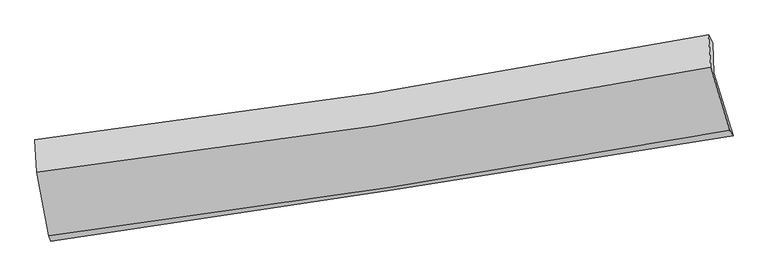
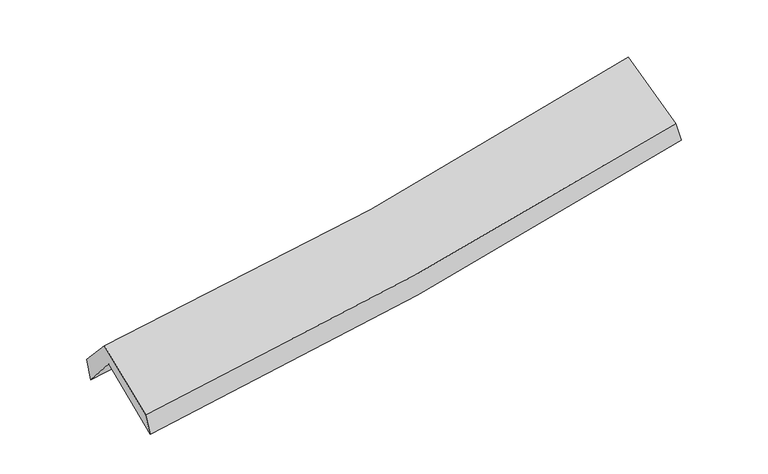
"""IFC4 building model written with IfcOpenShell, lengths in millimetres: proxy geometry."""

from ifc_helpers import new_model, si_unit, frame, origin, place, context, project, spatial, source, transform, mapped, element, save
from ifc_brep_helpers import plane_surface, spline_curve, spline_surface, advanced_brep


def generic_models_2d072b7d(model_context):
    return source(origin(), model_context, "Body", "AdvancedBrep", [
        advanced_brep(
        [(-2671.2374941, -2513.656537, 1475.6019184), (-2767.1016962, -2004.1790308, 1906.6550634), (2689.329918, -1152.8096595, 2403.8666241), (2844.957794, -1663.6666442, 1976.7860005), (-2781.476186, -1736.3600603, 1590.0537387), (2681.052394, -912.514693, 2078.7292513), (-2799.0945506, -1697.1233103, 1777.6110053), (2647.0331195, -847.7469737, 2248.6388757), (-2783.3474547, -1959.7094487, 2063.0906809), (2664.6120459, -1110.0097681, 2534.2722103), (-2688.7496789, -2469.9352631, 1652.6266473), (2817.8535872, -1618.6212379, 2122.8604157)],
        [
            (0, 1),
            (1, 2, spline_curve(3, [(-2767.1016962, -2004.1790308, 1906.6550634), (-1848.396377975, -1887.54588394, 1945.377661633), (-933.715585831, -1758.165729104, 2006.261478332), (885.072671769, -1474.305368862, 2172.12135355), (1789.202417635, -1319.895733479, 2276.974723906), (2689.329918, -1152.8096595, 2403.8666241)], [4, 2, 4], [0.0, 9.160926458179366, 18.296459481157704])),
            (2, 3),
            (3, 0, spline_curve(3, [(2844.957794, -1663.6666442, 1976.7860005), (1933.035404818, -1813.048182773, 1842.171411875), (1018.033538071, -1958.478626691, 1733.121213113), (-820.681081291, -2241.830586873, 1565.917535522), (-1744.41097701, -2379.730107113, 1507.906373694), (-2671.2374941, -2513.656537, 1475.6019184)], [4, 2, 4], [0.0, 9.135533022978338, 18.296459481157704])),
            (1, 4),
            (4, 5, spline_curve(3, [(-2781.476186, -1736.3600603, 1590.0537387), (-1864.191100072, -1609.978104288, 1623.582168851), (-949.709946883, -1478.030347923, 1681.159192518), (871.117390207, -1203.384412455, 1844.184167488), (1777.479096909, -1060.717046149, 1949.498981011), (2681.052394, -912.514693, 2078.7292513)], [4, 2, 4], [0.0, 9.113217128676778, 18.20117306901345])),
            (5, 2),
            (4, 6),
            (6, 7, spline_curve(3, [(-2799.0945506, -1697.1233103, 1777.6110053), (-1882.002119239, -1586.762410867, 1817.52844986), (-968.987698286, -1460.680574422, 1876.820825486), (846.365614941, -1177.468095158, 2033.937378348), (1748.727084394, -1020.424486015, 2131.654293098), (2647.0331195, -847.7469737, 2248.6388757)], [4, 2, 4], [0.0, 9.102547897474254, 18.17986418095685])),
            (7, 5),
            (6, 8),
            (8, 9, spline_curve(3, [(-2783.3474547, -1959.7094487, 2063.0906809), (-1865.929543598, -1849.309472242, 2103.035027001), (-952.599532214, -1723.181104543, 2162.353675085), (863.364336687, -1439.860802484, 2319.521444466), (1766.020825606, -1282.755943564, 2417.263306151), (2664.6120459, -1110.0097681, 2534.2722103)], [4, 2, 4], [0.0, 9.093038869925936, 18.160872484206823])),
            (9, 7),
            (8, 10),
            (10, 11, spline_curve(3, [(-2688.7496789, -2469.9352631, 1652.6266473), (-1762.957758201, -2351.89493949, 1698.336082268), (-840.545998169, -2221.816797487, 1760.454074585), (994.969710679, -1937.978812026, 1917.289504815), (1908.092372594, -1784.285612567, 2011.916101726), (2817.8535872, -1618.6212379, 2122.8604157)], [4, 2, 4], [0.0, 9.141405729108262, 18.25747213308515])),
            (11, 9),
            (10, 0),
            (3, 11),
        ],
        [
            spline_surface(3, 3, [[(-2671.2374941, -2513.656537, 1475.6019184), (-1744.410977038, -2379.730106978, 1507.90637361), (-820.681081248, -2241.830586774, 1565.917535572), (1018.033538028, -1958.47862679, 1733.121213063), (1933.035404919, -1813.048182725, 1842.171411815), (2844.957794, -1663.6666442, 1976.7860005)], [(-2703.192228146, -2343.830701595, 1619.286300059), (-1779.072777332, -2215.668699329, 1653.730136277), (-858.359249435, -2080.608967527, 1712.698849802), (973.713249286, -1797.087540841, 1879.454593215), (1885.091075862, -1648.664032981, 1987.105849139), (2793.081835331, -1493.380982621, 2119.146208366)], [(-2735.146962154, -2174.004866205, 1762.970681741), (-1813.734577589, -2051.607291695, 1799.553898966), (-896.037417649, -1919.387348276, 1859.480164082), (929.392960516, -1635.696454886, 2025.787973418), (1837.14674681, -1484.279883276, 2132.040286466), (2741.205876669, -1323.095321079, 2261.506416234)], [(-2767.1016962, -2004.1790308, 1906.6550634), (-1848.396377884, -1887.545884046, 1945.377661632), (-933.715585836, -1758.16572903, 2006.261478312), (885.072671774, -1474.305368936, 2172.12135357), (1789.202417753, -1319.895733532, 2276.97472379), (2689.329918, -1152.8096595, 2403.8666241)]], [4, 4], [4, 2, 4], [0.0, 2.182712420174171], [0.0, 9.160926458179366, 18.296459481157704]),
            spline_surface(3, 3, [[(-2767.1016962, -2004.1790308, 1906.6550634), (-1848.396377884, -1887.545884046, 1945.377661632), (-933.715585836, -1758.16572903, 2006.261478312), (885.072671774, -1474.305368936, 2172.12135357), (1789.202417753, -1319.895733532, 2276.97472379), (2689.329918, -1152.8096595, 2403.8666241)], [(-2771.893192805, -1914.906040648, 1801.121288499), (-1853.66128527, -1795.02329082, 1838.112497363), (-939.047039501, -1664.787268682, 1897.89404977), (880.420911225, -1383.99838339, 2062.808958186), (1785.294644124, -1233.502837771, 2167.81614289), (2686.570743323, -1072.711337338, 2295.487499834)], [(-2776.684689395, -1825.633050452, 1695.587513601), (-1858.926192643, -1702.50069755, 1730.847333095), (-944.378493151, -1571.408808381, 1789.52662118), (875.769150689, -1293.691397891, 1953.496562753), (1781.386870526, -1147.109941996, 2058.657561987), (2683.811568677, -992.613015162, 2187.108375566)], [(-2781.476186, -1736.3600603, 1590.0537387), (-1864.191100029, -1609.978104323, 1623.582168825), (-949.709946816, -1478.030348033, 1681.159192638), (871.11739014, -1203.384412345, 1844.184167368), (1777.479096897, -1060.717046235, 1949.498981087), (2681.052394, -912.514693, 2078.7292513)]], [4, 4], [4, 2, 4], [0.0, 1.4025722462672796], [0.0, 9.113217128676778, 18.20117306901345]),
            spline_surface(3, 3, [[(-2781.476186, -1736.3600603, 1590.0537387), (-1864.191100029, -1609.978104323, 1623.582168825), (-949.709946816, -1478.030348033, 1681.159192638), (871.11739014, -1203.384412345, 1844.184167368), (1777.479096897, -1060.717046235, 1949.498981087), (2681.052394, -912.514693, 2078.7292513)], [(-2787.348974173, -1723.281143616, 1652.57282759), (-1870.128106404, -1602.239539806, 1688.230929154), (-956.135864028, -1472.247090176, 1746.379736865), (862.866798423, -1194.745639925, 1907.435237724), (1767.895092685, -1047.286192795, 2010.217418408), (2669.712635828, -890.925453232, 2135.365792783)], [(-2793.221762427, -1710.202226984, 1715.09191641), (-1876.065112858, -1594.500975341, 1752.879689412), (-962.561781181, -1466.463832335, 1811.600281132), (854.616206765, -1186.106867523, 1970.686308119), (1758.311088488, -1033.855339359, 2070.935855678), (2658.372877672, -869.336213468, 2192.002334217)], [(-2799.0945506, -1697.1233103, 1777.6110053), (-1882.002119232, -1586.762410824, 1817.52844974), (-968.987698393, -1460.680574477, 1876.820825359), (846.365615048, -1177.468095103, 2033.937378474), (1748.727084276, -1020.424485919, 2131.654292999), (2647.0331195, -847.7469737, 2248.6388757)]], [4, 4], [4, 2, 4], [0.0, 0.6403195413981673], [0.0, 9.102547897474254, 18.17986418095685]),
            spline_surface(3, 3, [[(-2799.0945506, -1697.1233103, 1777.6110053), (-1882.002119232, -1586.762410824, 1817.52844974), (-968.987698393, -1460.680574477, 1876.820825359), (846.365615048, -1177.468095103, 2033.937378474), (1748.727084276, -1020.424485919, 2131.654292999), (2647.0331195, -847.7469737, 2248.6388757)], [(-2793.845518633, -1784.652023099, 1872.770897155), (-1876.64459402, -1674.278098, 1912.697308796), (-963.524976323, -1548.180751154, 1971.998441955), (852.031855595, -1264.932330909, 2129.132067136), (1754.491664693, -1107.86830511, 2226.857297348), (2652.892761647, -935.167905157, 2343.849987235)], [(-2788.596486667, -1872.180735901, 1967.930789045), (-1871.287068807, -1761.79378518, 2007.866167887), (-958.06225427, -1635.68092783, 2067.176058523), (857.698096125, -1352.396566714, 2224.32675577), (1760.256245069, -1195.31212433, 2322.060301692), (2658.752403753, -1022.588836643, 2439.061098765)], [(-2783.3474547, -1959.7094487, 2063.0906809), (-1865.929543595, -1849.309472356, 2103.035026943), (-952.5995322, -1723.181104506, 2162.353675119), (863.364336672, -1439.86080252, 2319.521444432), (1766.020825486, -1282.755943522, 2417.26330604), (2664.6120459, -1110.0097681, 2534.2722103)]], [4, 4], [4, 2, 4], [0.0, 1.2736275459564592], [0.0, 9.093038869925936, 18.160872484206823]),
            spline_surface(3, 3, [[(-2783.3474547, -1959.7094487, 2063.0906809), (-1865.929543595, -1849.309472356, 2103.035026943), (-952.5995322, -1723.181104506, 2162.353675119), (863.364336672, -1439.86080252, 2319.521444432), (1766.020825486, -1282.755943522, 2417.26330604), (2664.6120459, -1110.0097681, 2534.2722103)], [(-2751.814862785, -2129.784720155, 1926.26933638), (-1831.605615159, -2016.837961354, 1968.13537869), (-915.24835419, -1889.393002135, 2028.387141625), (907.232794682, -1605.900139084, 2185.444131189), (1813.378007866, -1449.932499838, 2282.147571249), (2715.692559647, -1279.546924706, 2397.13494541)], [(-2720.282270815, -2299.859991645, 1789.44799182), (-1797.281686666, -2184.366450386, 1833.235730398), (-877.897176191, -2055.604899717, 1894.420608161), (951.101252681, -1771.939475602, 2051.366817976), (1860.735190304, -1617.109056138, 2147.031836526), (2766.773073453, -1449.084081294, 2259.99768059)], [(-2688.7496789, -2469.9352631, 1652.6266473), (-1762.95775823, -2351.894939384, 1698.336082146), (-840.545998181, -2221.816797346, 1760.454074667), (994.969710691, -1937.978812166, 1917.289504733), (1908.092372684, -1784.285612454, 2011.916101735), (2817.8535872, -1618.6212379, 2122.8604157)]], [4, 4], [4, 2, 4], [0.0, 2.1385252217096777], [0.0, 9.141405729108262, 18.25747213308515]),
            spline_surface(3, 3, [[(-2688.7496789, -2469.9352631, 1652.6266473), (-1762.95775823, -2351.894939384, 1698.336082146), (-840.545998181, -2221.816797346, 1760.454074667), (994.969710691, -1937.978812166, 1917.289504733), (1908.092372684, -1784.285612454, 2011.916101735), (2817.8535872, -1618.6212379, 2122.8604157)], [(-2682.912283957, -2484.509021087, 1593.618404317), (-1756.775497824, -2361.173328602, 1634.859512618), (-833.924359198, -2228.488060492, 1695.608561649), (1002.657653142, -1944.812083711, 1855.90007419), (1916.406716786, -1793.873135891, 1955.334538434), (2826.888322823, -1633.636373347, 2074.168943972)], [(-2677.074889043, -2499.082779013, 1534.610161383), (-1750.593237445, -2370.451717759, 1571.382943138), (-827.302720231, -2235.159323628, 1630.76304859), (1010.345595577, -1951.645355245, 1794.510643606), (1924.721060817, -1803.460659287, 1898.752975116), (2835.923058377, -1648.651508753, 2025.477472228)], [(-2671.2374941, -2513.656537, 1475.6019184), (-1744.410977038, -2379.730106978, 1507.90637361), (-820.681081248, -2241.830586774, 1565.917535572), (1018.033538028, -1958.47862679, 1733.121213063), (1933.035404919, -1813.048182725, 1842.171411815), (2844.957794, -1663.6666442, 1976.7860005)]], [4, 4], [4, 2, 4], [0.0, 0.6287805453344539], [0.0, 9.198660335972516, 18.37182264112423]),
            plane_surface(frame((2724.1398098, -1217.5614961, 2227.5255629), z_axis=(0.973207452905303, 0.19605682296699434, 0.1201206717333079), x_axis=(0.22807733976927758, -0.7569928497962393, -0.6123255281638501))),
            plane_surface(frame((-2748.5011768, -2063.4939417, 1744.2731757), z_axis=(-0.9892572938250306, -0.13064094862137113, -0.06559686850212919), x_axis=(-0.09559944298502562, 0.23867549813804353, 0.9663823017261387))),
        ],
        [
            (0, [[1, 2, 3, 4]]),
            (1, [[5, 6, 7, -2]]),
            (2, [[8, 9, 10, -6]]),
            (3, [[11, 12, 13, -9]]),
            (4, [[14, 15, 16, -12]]),
            (5, [[17, -4, 18, -15]]),
            (6, [[-16, -18, -3, -7, -10, -13]]),
            (7, [[-17, -14, -11, -8, -5, -1]]),
        ],
    ),
    ])


if __name__ == "__main__":
    model = new_model("IFC4")
    model_context = context("Model", 3, world=origin())
    ifc_project = project(units=[si_unit("LENGTHUNIT", "METRE", prefix="MILLI")], contexts=[model_context])
    site = spatial("IfcSite", under=ifc_project)
    building = spatial("IfcBuilding", under=site)
    placement = place(None, origin())
    generic_models_shape = generic_models_2d072b7d(model_context)
    element("IfcBuildingElementProxy", 1, Name="Generic Models", at=placement, inside=building, context=model_context, shape_type="MappedRepresentation", body=[
        mapped(generic_models_shape, transform((0.0, 0.0, 0.0), x_axis=(1.0, 0.0, 0.0), y_axis=(0.0, 1.0, 0.0), z_axis=(0.0, 0.0, 1.0))),
    ])
    save(model, "model.ifc")
